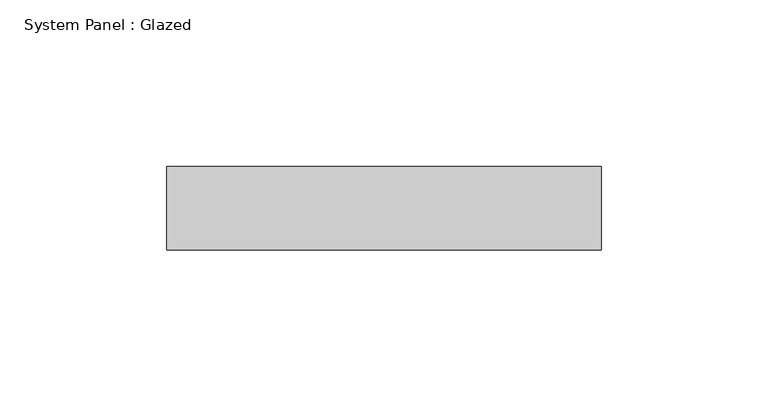
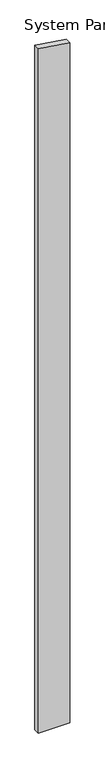
"""IFC4 building model written with IfcOpenShell, lengths in millimetres: plate geometry, System Panel : Glazed."""

from ifc_helpers import new_model, si_unit, frame, origin, place, context, project, spatial, polyline, outline, extrude, source, transform, mapped, element, save


def system_panel_glazed_f6f21d42(model_context):
    return source(origin(), model_context, "Body", "SweptSolid", [
        extrude(outline(polyline([(0.0, -65.0), (0.0, 65.0), (2993.6042747, 65.0), (3012.8478838, -65.0), (0.0, -65.0)])), frame((0.0, 24.5, 0.0), z_axis=(0.0, 1.0, 0.0), x_axis=(0.0, 0.0, 1.0)), (0.0, 0.0, 1.0), 25.0),
    ])


if __name__ == "__main__":
    model = new_model("IFC4")
    model_context = context("Model", 3, world=origin())
    ifc_project = project(units=[si_unit("LENGTHUNIT", "METRE", prefix="MILLI")], contexts=[model_context])
    site = spatial("IfcSite", under=ifc_project)
    building = spatial("IfcBuilding", under=site)
    placement = place(None, origin())
    system_panel_glazed_shape = system_panel_glazed_f6f21d42(model_context)
    element("IfcPlate", 1, ObjectType="System Panel : Glazed", at=placement, inside=building, context=model_context, shape_type="MappedRepresentation", body=[
        mapped(system_panel_glazed_shape, transform((0.0, 0.0, 0.0), x_axis=(1.0, 0.0, 0.0), y_axis=(0.0, 1.0, 0.0), z_axis=(0.0, 0.0, 1.0))),
    ])
    save(model, "model.ifc")
